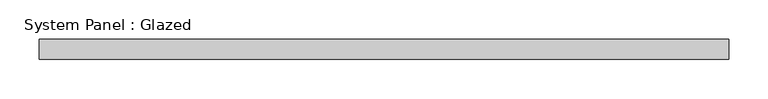
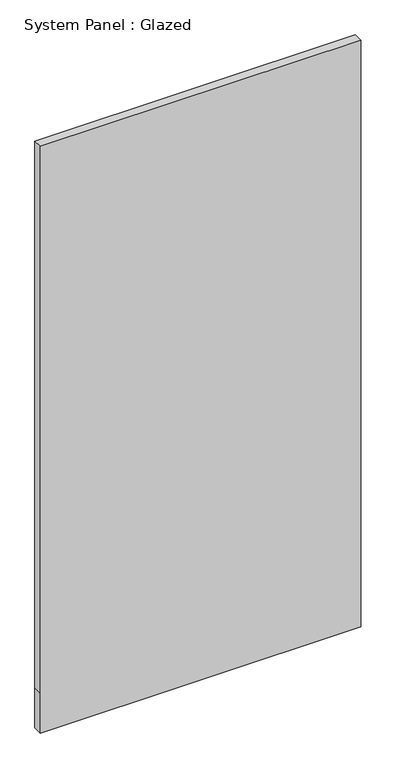
"""IFC4 building model written with IfcOpenShell, lengths in millimetres: plate geometry, System Panel : Glazed."""

import ifcopenshell
import ifcopenshell.guid

model = None  # the IFC model being written
_history = None  # IfcOwnerHistory: only IFC2X3 demands one
_inside = {}  # id of a spatial element -> (the spatial element, [elements in it])
_under = {}  # id of a project, library or spatial element -> (it, [spatial elements below it])
_declared = {}  # id of a project -> (the project, [libraries it declares])
_typed = {}  # id of a type object -> (the type object, [elements of that type])
_made_of = {}  # id of a material, layer set ... -> (it, [elements and type objects made of it])


def new_model(schema):
    """Start an empty IFC model of exactly this schema.

    Asked for "IFC4X3", IfcOpenShell would pick the latest addendum, in which some entities
    have other attributes; the version numbers below select the first issue.
    IFC2X3 requires an IfcOwnerHistory on every rooted entity: one is made here for all.
    """
    global model, _history
    if schema == "IFC4X3":
        model = ifcopenshell.file(schema_version=(4, 3, 0, 0))
    else:
        model = ifcopenshell.file(schema=schema)
    _inside.clear()
    _under.clear()
    _declared.clear()
    _typed.clear()
    _made_of.clear()
    _history = None
    if model.schema == "IFC2X3":
        org = make("IfcOrganization", Name="unknown")
        user = make(
            "IfcPersonAndOrganization",
            ThePerson=make("IfcPerson", FamilyName="unknown"),
            TheOrganization=org,
        )
        app = make(
            "IfcApplication",
            ApplicationDeveloper=org,
            Version="unknown",
            ApplicationFullName="unknown",
            ApplicationIdentifier="unknown",
        )
        _history = make(
            "IfcOwnerHistory",
            OwningUser=user,
            OwningApplication=app,
            ChangeAction="ADDED",
            CreationDate=0,
        )
    return model


def make(cls, **values):
    """One entity of the class cls with the attributes given. An attribute that is None is left unset."""
    return model.create_entity(
        cls, **{name: value for name, value in values.items() if value is not None}
    )


def rooted(cls, **values):
    """An entity with a GlobalId (a new one), such as an element, a storey or a relation."""
    return make(cls, GlobalId=ifcopenshell.guid.new(), OwnerHistory=_history, **values)


def si_unit(unit_type, name, prefix=None):
    """IfcSIUnit, for example si_unit("LENGTHUNIT", "METRE", prefix="MILLI")."""
    return make("IfcSIUnit", UnitType=unit_type, Prefix=prefix, Name=name)


def assignment(units):
    """IfcUnitAssignment: the units of a project."""
    return None if units is None else make("IfcUnitAssignment", Units=units)


def point(xyz):
    """IfcCartesianPoint."""
    return None if xyz is None else make("IfcCartesianPoint", Coordinates=xyz)


def direction(xyz):
    """IfcDirection."""
    return None if xyz is None else make("IfcDirection", DirectionRatios=xyz)


def frame(location, z_axis=None, x_axis=None):
    """IfcAxis2Placement3D, a coordinate frame: its origin and axes. An axis left out is left unset."""
    return make(
        "IfcAxis2Placement3D",
        Location=point(location),
        Axis=direction(z_axis),
        RefDirection=direction(x_axis),
    )


def origin():
    """The frame at (0, 0, 0) with its axes left unset."""
    return frame((0.0, 0.0, 0.0))


def place(relative_to, where):
    """IfcLocalPlacement: puts the frame where relative to a parent placement (None: the world)."""
    return make(
        "IfcLocalPlacement", PlacementRelTo=relative_to, RelativePlacement=where
    )


def context(
    kind, dimensions, precision=None, world=None, true_north=None, identifier=None
):
    """IfcGeometricRepresentationContext, for example the 3D "Model" context."""
    return make(
        "IfcGeometricRepresentationContext",
        ContextIdentifier=identifier,
        ContextType=kind,
        CoordinateSpaceDimension=dimensions,
        Precision=precision,
        WorldCoordinateSystem=world,
        TrueNorth=true_north,
    )


def project(units=None, contexts=None):
    """IfcProject with its units and contexts."""
    return rooted(
        "IfcProject",
        Name="project",
        RepresentationContexts=contexts,
        UnitsInContext=assignment(units),
    )


def spatial(cls, under=None, at=None, **own):
    """A site, building, storey or space (cls), placed at a placement, below another one or the project."""
    s = rooted(cls, ObjectPlacement=at, **own)
    if under is not None:
        _under.setdefault(under.id(), (under, []))[1].append(s)
    return s


def polyline(points):
    """IfcPolyline through the points."""
    return make("IfcPolyline", Points=[point(p) for p in points])


def outline(outer, holes=None, kind="AREA"):
    """IfcArbitraryClosedProfileDef: a profile drawn as a closed curve; with holes, ...WithVoids."""
    if holes is None:
        return make("IfcArbitraryClosedProfileDef", ProfileType=kind, OuterCurve=outer)
    return make(
        "IfcArbitraryProfileDefWithVoids",
        ProfileType=kind,
        OuterCurve=outer,
        InnerCurves=holes,
    )


def extrude(swept, where, along, depth):
    """IfcExtrudedAreaSolid: the profile swept, set in the frame where, extruded along a direction by depth."""
    return make(
        "IfcExtrudedAreaSolid",
        SweptArea=swept,
        Position=where,
        ExtrudedDirection=direction(along),
        Depth=depth,
    )


def shape(context_of_items, identifier, shape_type, items):
    """IfcShapeRepresentation: the items that make up one representation, for example the "Body"."""
    return make(
        "IfcShapeRepresentation",
        ContextOfItems=context_of_items,
        RepresentationIdentifier=identifier,
        RepresentationType=shape_type,
        Items=items,
    )


def source(mapping_origin, context_of_items, identifier, shape_type, items):
    """IfcRepresentationMap: a shape defined once, which mapped items show again and again."""
    return make(
        "IfcRepresentationMap",
        MappingOrigin=mapping_origin,
        MappedRepresentation=shape(context_of_items, identifier, shape_type, items),
    )


def transform(
    local_origin,
    x_axis=None,
    y_axis=None,
    z_axis=None,
    scale=None,
    scale2=None,
    scale3=None,
    uniform=True,
):
    """IfcCartesianTransformationOperator3D, or its non-uniform kind. x_axis, y_axis, z_axis: its Axis1, 2, 3."""
    if uniform:
        return make(
            "IfcCartesianTransformationOperator3D",
            Axis1=direction(x_axis),
            Axis2=direction(y_axis),
            LocalOrigin=point(local_origin),
            Scale=scale,
            Axis3=direction(z_axis),
        )
    return make(
        "IfcCartesianTransformationOperator3DnonUniform",
        Axis1=direction(x_axis),
        Axis2=direction(y_axis),
        LocalOrigin=point(local_origin),
        Scale=scale,
        Axis3=direction(z_axis),
        Scale2=scale2,
        Scale3=scale3,
    )


def mapped(mapping_source, mapping_target):
    """IfcMappedItem: shows the shape of a source again, moved by a transform."""
    return make(
        "IfcMappedItem", MappingSource=mapping_source, MappingTarget=mapping_target
    )


def made_of(thing, what):
    """Note that an element or type object is made of a material, layer set ...; save() writes the relation."""
    if what is not None:
        _made_of.setdefault(what.id(), (what, []))[1].append(thing)
    return thing


def element(
    cls,
    number,
    at=None,
    inside=None,
    cuts=None,
    type_object=None,
    material=None,
    context=None,
    identifier="Body",
    shape_type=None,
    held_by="IfcProductDefinitionShape",
    body=None,
    shapes=None,
    **own,
):
    """One element of the class cls, such as IfcWall. Its Tag is "e" and its number.

    at: its placement. inside: the storey or other place that contains it. cuts: it is an
    opening in that element (IfcRelVoidsElement). A single representation is given by context,
    identifier, shape_type and body (its items); several are given by shapes. held_by: the class
    of the entity that holds the representations. save() writes the other relations.
    """
    e = rooted(cls, Tag="e%d" % number, ObjectPlacement=at, **own)
    if body is not None:
        shapes = [shape(context, identifier, shape_type, body)]
    if shapes is not None:
        e.Representation = make(held_by, Representations=shapes)
    if inside is not None:
        _inside.setdefault(inside.id(), (inside, []))[1].append(e)
    if cuts is not None:
        rooted(
            "IfcRelVoidsElement", RelatingBuildingElement=cuts, RelatedOpeningElement=e
        )
    if type_object is not None:
        _typed.setdefault(type_object.id(), (type_object, []))[1].append(e)
    return made_of(e, material)


def aggregate(whole, parts):
    """IfcRelAggregates: a whole, such as a stair, and the parts it consists of."""
    return rooted("IfcRelAggregates", RelatingObject=whole, RelatedObjects=parts)


def save(model, path):
    """Write the relations noted so far, then the file.

    IfcRelAggregates (storeys below a building ...), IfcRelContainedInSpatialStructure (elements
    in a storey), IfcRelDefinesByType, IfcRelAssociatesMaterial and IfcRelDeclares: one each for
    every whole, place, type object, material and project.
    """
    for whole, parts in _under.values():
        aggregate(whole, parts)
    for where, things in _inside.values():
        rooted(
            "IfcRelContainedInSpatialStructure",
            RelatedElements=things,
            RelatingStructure=where,
        )
    for kind, things in _typed.values():
        rooted("IfcRelDefinesByType", RelatedObjects=things, RelatingType=kind)
    for what, things in _made_of.values():
        rooted("IfcRelAssociatesMaterial", RelatedObjects=things, RelatingMaterial=what)
    for by, libraries in _declared.values():
        rooted("IfcRelDeclares", RelatingContext=by, RelatedDefinitions=libraries)
    model.write(path)


def system_panel_glazed_d14daf2b(model_context):
    return source(origin(), model_context, "Body", "SweptSolid", [
        extrude(outline(polyline([(0.0, -436.6666667), (0.0, 436.6666667), (115.0, 436.6666667), (1690.0, 436.6666667), (1690.0, -436.6666667), (115.0, -436.6666667), (0.0, -436.6666667)])), frame((0.0, 24.5, 0.0), z_axis=(0.0, 1.0, 0.0), x_axis=(0.0, 0.0, 1.0)), (0.0, 0.0, 1.0), 25.0),
    ])


if __name__ == "__main__":
    model = new_model("IFC4")
    model_context = context("Model", 3, world=origin())
    ifc_project = project(units=[si_unit("LENGTHUNIT", "METRE", prefix="MILLI")], contexts=[model_context])
    site = spatial("IfcSite", under=ifc_project)
    building = spatial("IfcBuilding", under=site)
    placement = place(None, origin())
    system_panel_glazed_shape = system_panel_glazed_d14daf2b(model_context)
    element("IfcPlate", 1, ObjectType="System Panel : Glazed", at=placement, inside=building, context=model_context, shape_type="MappedRepresentation", body=[
        mapped(system_panel_glazed_shape, transform((0.0, 0.0, 0.0), x_axis=(1.0, 0.0, 0.0), y_axis=(0.0, 1.0, 0.0), z_axis=(0.0, 0.0, 1.0))),
    ])
    save(model, "model.ifc")
